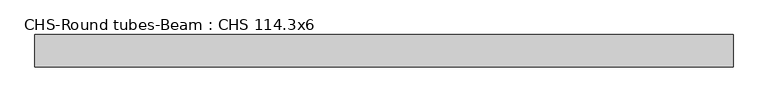
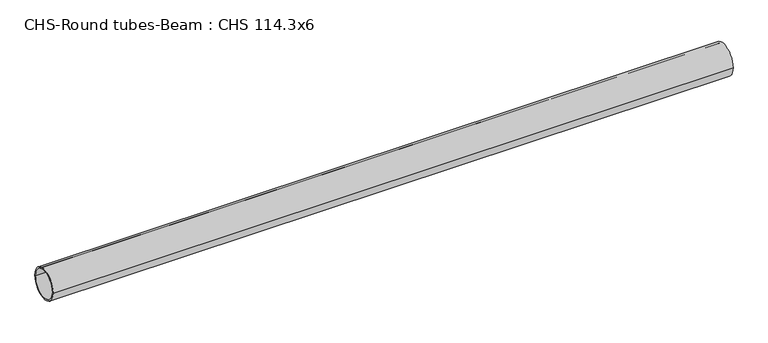
"""IFC4 building model written with IfcOpenShell, lengths in millimetres: beam geometry, CHS-Round tubes-Beam : CHS 114.3x6."""

from ifc_helpers import new_model, si_unit, point, frame, origin, origin_2d, place, context, project, spatial, circle_curve, trimmed, segment, composite_curve, outline, extrude, source, transform, mapped, element, save


def chs_round_tubes_beam_chs_114_3x6_5c70225d(model_context):
    return source(origin(), model_context, "Body", "SweptSolid", [
        extrude(outline(composite_curve([segment(trimmed(circle_curve(origin_2d(), 57.15), [point((57.15, 0.0))], [point((-57.15, 0.0))], False, "CARTESIAN"), True, "CONTINUOUS"), segment(trimmed(circle_curve(origin_2d(), 57.15), [point((-57.15, 0.0))], [point((57.15, 0.0))], False, "CARTESIAN"), True, "CONTINUOUS")], self_intersect=False), holes=[composite_curve([segment(trimmed(circle_curve(origin_2d(), 51.15), [point((51.15, 0.0))], [point((-51.15, 0.0))], True, "CARTESIAN"), True, "CONTINUOUS"), segment(trimmed(circle_curve(origin_2d(), 51.15), [point((-51.15, 0.0))], [point((51.15, 0.0))], True, "CARTESIAN"), True, "CONTINUOUS")], self_intersect=False)]), frame((-1182.8017329, 0.0, 0.0), z_axis=(1.0, 0.0, 0.0), x_axis=(0.0, 1.0, 0.0)), (0.0, 0.0, 1.0), 2468.6338068),
    ])


if __name__ == "__main__":
    model = new_model("IFC4")
    model_context = context("Model", 3, world=origin())
    ifc_project = project(units=[si_unit("LENGTHUNIT", "METRE", prefix="MILLI")], contexts=[model_context])
    site = spatial("IfcSite", under=ifc_project)
    building = spatial("IfcBuilding", under=site)
    placement = place(None, origin())
    chs_round_tubes_beam_chs_114_3x6_shape = chs_round_tubes_beam_chs_114_3x6_5c70225d(model_context)
    element("IfcBeam", 1, ObjectType="CHS-Round tubes-Beam : CHS 114.3x6", at=placement, inside=building, context=model_context, shape_type="MappedRepresentation", body=[
        mapped(chs_round_tubes_beam_chs_114_3x6_shape, transform((0.0, 0.0, 0.0), x_axis=(1.0, 0.0, 0.0), y_axis=(0.0, 1.0, 0.0), z_axis=(0.0, 0.0, 1.0))),
    ])
    save(model, "model.ifc")
